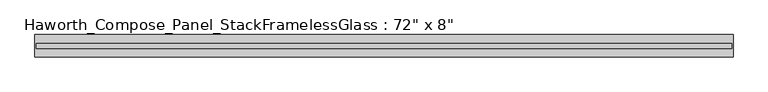
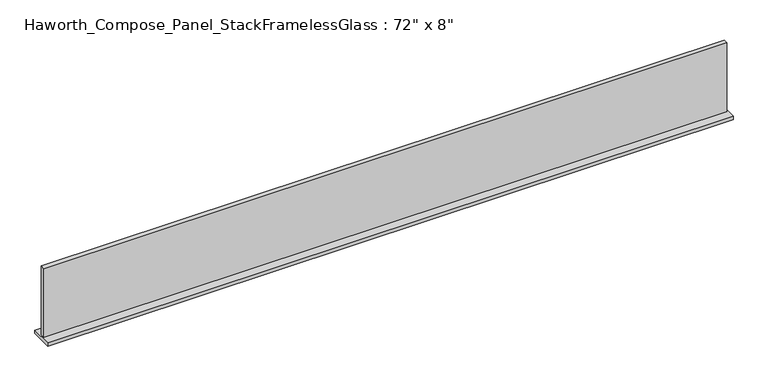
"""IFC4 building model written with IfcOpenShell, lengths in millimetres: furniture geometry."""

from ifc_helpers import new_model, si_unit, frame, origin, place, context, project, spatial, polyline, outline, extrude, source, transform, mapped, element, save


def furniture_af5fabe7(model_context):
    return source(origin(), model_context, "Body", "SweptSolid", [
        extrude(outline(polyline([(913.6652902, -27.3093594), (-908.7847098, -27.3093594), (-908.7847098, -14.6093594), (913.6652902, -14.6093594), (913.6652902, -27.3093594)])), frame((0.0, 0.0, 1076.325), z_axis=(0.0, 0.0, 1.0), x_axis=(1.0, 0.0, 0.0)), (0.0, 0.0, 1.0), 193.675),
        extrude(outline(polyline([(-911.9597098, -50.3281094), (-911.9597098, 8.4093906), (916.8402902, 8.4093906), (916.8402902, -50.3281094), (-911.9597098, -50.3281094)])), frame((0.0, 0.0, 1066.8), z_axis=(0.0, 0.0, 1.0), x_axis=(1.0, 0.0, 0.0)), (0.0, 0.0, 1.0), 9.525),
    ])


if __name__ == "__main__":
    model = new_model("IFC4")
    model_context = context("Model", 3, world=origin())
    ifc_project = project(units=[si_unit("LENGTHUNIT", "METRE", prefix="MILLI")], contexts=[model_context])
    site = spatial("IfcSite", under=ifc_project)
    building = spatial("IfcBuilding", under=site)
    placement = place(None, origin())
    furniture_shape = furniture_af5fabe7(model_context)
    element("IfcFurniture", 1, ObjectType="Haworth_Compose_Panel_StackFramelessGlass : 72\" x 8\"", at=placement, inside=building, context=model_context, shape_type="MappedRepresentation", body=[
        mapped(furniture_shape, transform((0.0, 0.0, 0.0), x_axis=(1.0, 0.0, 0.0), y_axis=(0.0, 1.0, 0.0), z_axis=(0.0, 0.0, 1.0))),
    ])
    save(model, "model.ifc")
